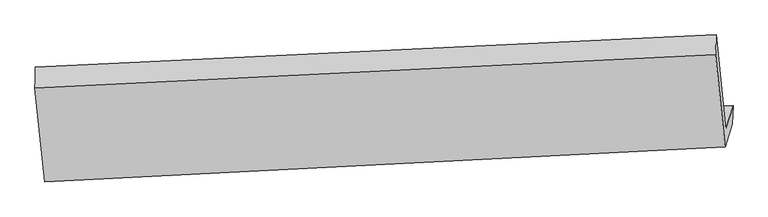
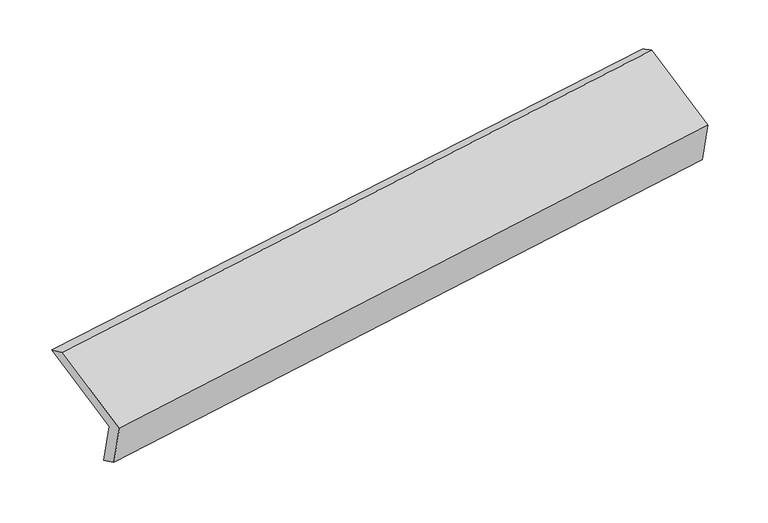
"""IFC4 building model written with IfcOpenShell, lengths in millimetres: proxy geometry."""

import ifcopenshell
import ifcopenshell.guid

model = None  # the IFC model being written
_history = None  # IfcOwnerHistory: only IFC2X3 demands one
_inside = {}  # id of a spatial element -> (the spatial element, [elements in it])
_under = {}  # id of a project, library or spatial element -> (it, [spatial elements below it])
_declared = {}  # id of a project -> (the project, [libraries it declares])
_typed = {}  # id of a type object -> (the type object, [elements of that type])
_made_of = {}  # id of a material, layer set ... -> (it, [elements and type objects made of it])


def new_model(schema):
    """Start an empty IFC model of exactly this schema.

    Asked for "IFC4X3", IfcOpenShell would pick the latest addendum, in which some entities
    have other attributes; the version numbers below select the first issue.
    IFC2X3 requires an IfcOwnerHistory on every rooted entity: one is made here for all.
    """
    global model, _history
    if schema == "IFC4X3":
        model = ifcopenshell.file(schema_version=(4, 3, 0, 0))
    else:
        model = ifcopenshell.file(schema=schema)
    _inside.clear()
    _under.clear()
    _declared.clear()
    _typed.clear()
    _made_of.clear()
    _history = None
    if model.schema == "IFC2X3":
        org = make("IfcOrganization", Name="unknown")
        user = make(
            "IfcPersonAndOrganization",
            ThePerson=make("IfcPerson", FamilyName="unknown"),
            TheOrganization=org,
        )
        app = make(
            "IfcApplication",
            ApplicationDeveloper=org,
            Version="unknown",
            ApplicationFullName="unknown",
            ApplicationIdentifier="unknown",
        )
        _history = make(
            "IfcOwnerHistory",
            OwningUser=user,
            OwningApplication=app,
            ChangeAction="ADDED",
            CreationDate=0,
        )
    return model


def make(cls, **values):
    """One entity of the class cls with the attributes given. An attribute that is None is left unset."""
    return model.create_entity(
        cls, **{name: value for name, value in values.items() if value is not None}
    )


def rooted(cls, **values):
    """An entity with a GlobalId (a new one), such as an element, a storey or a relation."""
    return make(cls, GlobalId=ifcopenshell.guid.new(), OwnerHistory=_history, **values)


def si_unit(unit_type, name, prefix=None):
    """IfcSIUnit, for example si_unit("LENGTHUNIT", "METRE", prefix="MILLI")."""
    return make("IfcSIUnit", UnitType=unit_type, Prefix=prefix, Name=name)


def assignment(units):
    """IfcUnitAssignment: the units of a project."""
    return None if units is None else make("IfcUnitAssignment", Units=units)


def point(xyz):
    """IfcCartesianPoint."""
    return None if xyz is None else make("IfcCartesianPoint", Coordinates=xyz)


def direction(xyz):
    """IfcDirection."""
    return None if xyz is None else make("IfcDirection", DirectionRatios=xyz)


def frame(location, z_axis=None, x_axis=None):
    """IfcAxis2Placement3D, a coordinate frame: its origin and axes. An axis left out is left unset."""
    return make(
        "IfcAxis2Placement3D",
        Location=point(location),
        Axis=direction(z_axis),
        RefDirection=direction(x_axis),
    )


def origin():
    """The frame at (0, 0, 0) with its axes left unset."""
    return frame((0.0, 0.0, 0.0))


def place(relative_to, where):
    """IfcLocalPlacement: puts the frame where relative to a parent placement (None: the world)."""
    return make(
        "IfcLocalPlacement", PlacementRelTo=relative_to, RelativePlacement=where
    )


def context(
    kind, dimensions, precision=None, world=None, true_north=None, identifier=None
):
    """IfcGeometricRepresentationContext, for example the 3D "Model" context."""
    return make(
        "IfcGeometricRepresentationContext",
        ContextIdentifier=identifier,
        ContextType=kind,
        CoordinateSpaceDimension=dimensions,
        Precision=precision,
        WorldCoordinateSystem=world,
        TrueNorth=true_north,
    )


def project(units=None, contexts=None):
    """IfcProject with its units and contexts."""
    return rooted(
        "IfcProject",
        Name="project",
        RepresentationContexts=contexts,
        UnitsInContext=assignment(units),
    )


def spatial(cls, under=None, at=None, **own):
    """A site, building, storey or space (cls), placed at a placement, below another one or the project."""
    s = rooted(cls, ObjectPlacement=at, **own)
    if under is not None:
        _under.setdefault(under.id(), (under, []))[1].append(s)
    return s


def shape(context_of_items, identifier, shape_type, items):
    """IfcShapeRepresentation: the items that make up one representation, for example the "Body"."""
    return make(
        "IfcShapeRepresentation",
        ContextOfItems=context_of_items,
        RepresentationIdentifier=identifier,
        RepresentationType=shape_type,
        Items=items,
    )


def source(mapping_origin, context_of_items, identifier, shape_type, items):
    """IfcRepresentationMap: a shape defined once, which mapped items show again and again."""
    return make(
        "IfcRepresentationMap",
        MappingOrigin=mapping_origin,
        MappedRepresentation=shape(context_of_items, identifier, shape_type, items),
    )


def transform(
    local_origin,
    x_axis=None,
    y_axis=None,
    z_axis=None,
    scale=None,
    scale2=None,
    scale3=None,
    uniform=True,
):
    """IfcCartesianTransformationOperator3D, or its non-uniform kind. x_axis, y_axis, z_axis: its Axis1, 2, 3."""
    if uniform:
        return make(
            "IfcCartesianTransformationOperator3D",
            Axis1=direction(x_axis),
            Axis2=direction(y_axis),
            LocalOrigin=point(local_origin),
            Scale=scale,
            Axis3=direction(z_axis),
        )
    return make(
        "IfcCartesianTransformationOperator3DnonUniform",
        Axis1=direction(x_axis),
        Axis2=direction(y_axis),
        LocalOrigin=point(local_origin),
        Scale=scale,
        Axis3=direction(z_axis),
        Scale2=scale2,
        Scale3=scale3,
    )


def mapped(mapping_source, mapping_target):
    """IfcMappedItem: shows the shape of a source again, moved by a transform."""
    return make(
        "IfcMappedItem", MappingSource=mapping_source, MappingTarget=mapping_target
    )


def made_of(thing, what):
    """Note that an element or type object is made of a material, layer set ...; save() writes the relation."""
    if what is not None:
        _made_of.setdefault(what.id(), (what, []))[1].append(thing)
    return thing


def element(
    cls,
    number,
    at=None,
    inside=None,
    cuts=None,
    type_object=None,
    material=None,
    context=None,
    identifier="Body",
    shape_type=None,
    held_by="IfcProductDefinitionShape",
    body=None,
    shapes=None,
    **own,
):
    """One element of the class cls, such as IfcWall. Its Tag is "e" and its number.

    at: its placement. inside: the storey or other place that contains it. cuts: it is an
    opening in that element (IfcRelVoidsElement). A single representation is given by context,
    identifier, shape_type and body (its items); several are given by shapes. held_by: the class
    of the entity that holds the representations. save() writes the other relations.
    """
    e = rooted(cls, Tag="e%d" % number, ObjectPlacement=at, **own)
    if body is not None:
        shapes = [shape(context, identifier, shape_type, body)]
    if shapes is not None:
        e.Representation = make(held_by, Representations=shapes)
    if inside is not None:
        _inside.setdefault(inside.id(), (inside, []))[1].append(e)
    if cuts is not None:
        rooted(
            "IfcRelVoidsElement", RelatingBuildingElement=cuts, RelatedOpeningElement=e
        )
    if type_object is not None:
        _typed.setdefault(type_object.id(), (type_object, []))[1].append(e)
    return made_of(e, material)


def aggregate(whole, parts):
    """IfcRelAggregates: a whole, such as a stair, and the parts it consists of."""
    return rooted("IfcRelAggregates", RelatingObject=whole, RelatedObjects=parts)


def save(model, path):
    """Write the relations noted so far, then the file.

    IfcRelAggregates (storeys below a building ...), IfcRelContainedInSpatialStructure (elements
    in a storey), IfcRelDefinesByType, IfcRelAssociatesMaterial and IfcRelDeclares: one each for
    every whole, place, type object, material and project.
    """
    for whole, parts in _under.values():
        aggregate(whole, parts)
    for where, things in _inside.values():
        rooted(
            "IfcRelContainedInSpatialStructure",
            RelatedElements=things,
            RelatingStructure=where,
        )
    for kind, things in _typed.values():
        rooted("IfcRelDefinesByType", RelatedObjects=things, RelatingType=kind)
    for what, things in _made_of.values():
        rooted("IfcRelAssociatesMaterial", RelatedObjects=things, RelatingMaterial=what)
    for by, libraries in _declared.values():
        rooted("IfcRelDeclares", RelatingContext=by, RelatedDefinitions=libraries)
    model.write(path)


def plane_surface(at):
    """IfcPlane: the flat surface through the origin of the frame at, square to its z axis."""
    return make("IfcPlane", Position=at)


def spline_surface(u_degree, v_degree, points, u_multiplicities, v_multiplicities, u_knots, v_knots, weights=None):
    """IfcBSplineSurfaceWithKnots; with weights, IfcRationalBSplineSurfaceWithKnots. points: one row for each step in u."""
    own = dict(
        UDegree=u_degree,
        VDegree=v_degree,
        ControlPointsList=[[point(p) for p in row] for row in points],
        SurfaceForm="UNSPECIFIED",
        UClosed=False,
        VClosed=False,
        SelfIntersect=False,
        UMultiplicities=u_multiplicities,
        VMultiplicities=v_multiplicities,
        UKnots=u_knots,
        VKnots=v_knots,
        KnotSpec="UNSPECIFIED",
    )
    if weights is None:
        return make("IfcBSplineSurfaceWithKnots", **own)
    return make("IfcRationalBSplineSurfaceWithKnots", WeightsData=weights, **own)


def advanced_brep(points, edges, surfaces, faces):
    """IfcAdvancedBrep: a solid bounded by faces that lie on surfaces and meet in shared edges.

    An edge is (start, end): straight between two places in points (the first is 0);
    or (start, end, curve); or (start, end, curve, False) where it runs against its curve.
    A face is (place in surfaces, loops), or (place, loops, False) where it looks against
    its surface's normal. A loop lists edges by number (the first is 1), with a minus sign
    where the edge is run from its end to its start. The first loop is the outer one.
    """
    corners = [point(p) for p in points]
    vertices = [make("IfcVertexPoint", VertexGeometry=c) for c in corners]
    made = []
    for start, end, *more in edges:
        made.append(
            make(
                "IfcEdgeCurve",
                EdgeStart=vertices[start],
                EdgeEnd=vertices[end],
                EdgeGeometry=more[0] if more else make("IfcPolyline", Points=[corners[start], corners[end]]),
                SameSense=more[1] if len(more) > 1 else True,
            )
        )
    hull = []
    for where, loops, *sense in faces:
        bounds = []
        for j, loop in enumerate(loops):
            ring = [make("IfcOrientedEdge", EdgeElement=made[abs(k) - 1], Orientation=k > 0) for k in loop]
            bounds.append(
                make(
                    "IfcFaceOuterBound" if j == 0 else "IfcFaceBound",
                    Bound=make("IfcEdgeLoop", EdgeList=ring),
                    Orientation=True,
                )
            )
        hull.append(make("IfcAdvancedFace", Bounds=bounds, FaceSurface=surfaces[where], SameSense=sense[0] if sense else True))
    return make("IfcAdvancedBrep", Outer=make("IfcClosedShell", CfsFaces=hull))


def generic_models_bfe87ab4(model_context):
    return source(origin(), model_context, "Body", "AdvancedBrep", [
        advanced_brep(
        [(-5032.7093386, -1652.2830925, 1241.359057), (-5078.5984792, -1801.3457451, 1609.7342339), (-628.126637, -1591.6774797, 2259.8387286), (-581.0903602, -1438.8885607, 1882.2549135), (-5036.4272239, -1790.085267, 1311.4762652), (-586.6979825, -1558.1532695, 1959.6378811), (-5082.1821134, -1938.7118288, 1678.7737406), (-633.6000082, -1710.5060977, 2336.1439947), (-5144.9268479, -1323.2143341, 1920.0179744), (-695.3998742, -1104.2773359, 2573.7553488), (-5141.4720696, -1184.5842323, 1851.4738996), (-691.0002274, -974.9159669, 2501.5783943)],
        [
            (0, 1),
            (1, 2),
            (2, 3),
            (3, 0),
            (4, 0),
            (3, 5),
            (5, 4),
            (6, 4),
            (5, 7),
            (7, 6),
            (8, 6),
            (7, 9),
            (9, 8),
            (10, 8),
            (9, 11),
            (11, 10),
            (1, 10),
            (11, 2),
        ],
        [
            plane_surface(frame((-5055.6539089, -1726.8144188, 1425.5466454), z_axis=(-0.09668290144715694, 0.9267703111741425, 0.36297273574463207), x_axis=(-0.11471361811921839, -0.37262663807129864, 0.9208638196919671))),
            spline_surface(1, 1, [[(-5036.4272239, -1790.085267, 1311.4762652), (-586.6979825, -1558.1532695, 1959.6378811)], [(-5032.7093386, -1652.2830925, 1241.359057), (-581.0903602, -1438.8885607, 1882.2549135)]], [2, 2], [2, 2], [0.0, 1.0], [0.0, 1.0]),
            plane_surface(frame((-5059.3046687, -1864.3985479, 1495.1250029), z_axis=(0.1010734803405373, -0.9265506545103935, -0.3623369097928232), x_axis=(0.11471361811919609, 0.37262663807129587, -0.920863819691971))),
            plane_surface(frame((-5113.5544807, -1630.9630815, 1799.3958575), z_axis=(-0.11690962175070964, -0.3727264068321515, 0.9205472100832741), x_axis=(0.09448684793010823, -0.9268732849094489, -0.3632879701963723))),
            spline_surface(1, 1, [[(-5141.4720696, -1184.5842323, 1851.4738996), (-691.0002274, -974.9159669, 2501.5783943)], [(-5144.9268479, -1323.2143341, 1920.0179744), (-695.3998742, -1104.2773359, 2573.7553488)]], [2, 2], [2, 2], [0.0, 1.0], [0.0, 1.0]),
            plane_surface(frame((-5110.0352744, -1492.9649887, 1730.6040667), z_axis=(0.11690962175071132, 0.3727264068321468, -0.9205472100832759), x_axis=(-0.09448684793010856, 0.9268732849094508, 0.3632879701963674))),
            plane_surface(frame((-635.9858483, -1396.4031184, 2252.2015435), z_axis=(0.9888948484981788, 0.045335442215169316, 0.14153330453613736), x_axis=(0.09448684793010823, -0.9268732849094489, -0.3632879701963723))),
            plane_surface(frame((-5086.0526788, -1615.0374166, 1602.1391951), z_axis=(-0.9888948484981849, -0.04533544221507712, -0.14153330453612611), x_axis=(0.11471361811921897, 0.3726266380712986, -0.9208638196919671))),
        ],
        [
            (0, [[1, 2, 3, 4]]),
            (1, [[5, -4, 6, 7]]),
            (2, [[8, -7, 9, 10]]),
            (3, [[11, -10, 12, 13]]),
            (4, [[14, -13, 15, 16]]),
            (5, [[17, -16, 18, -2]]),
            (6, [[-12, -9, -6, -3, -18, -15]]),
            (7, [[-1, -5, -8, -11, -14, -17]]),
        ],
    ),
    ])


if __name__ == "__main__":
    model = new_model("IFC4")
    model_context = context("Model", 3, world=origin())
    ifc_project = project(units=[si_unit("LENGTHUNIT", "METRE", prefix="MILLI")], contexts=[model_context])
    site = spatial("IfcSite", under=ifc_project)
    building = spatial("IfcBuilding", under=site)
    placement = place(None, origin())
    generic_models_shape = generic_models_bfe87ab4(model_context)
    element("IfcBuildingElementProxy", 1, Name="Generic Models", at=placement, inside=building, context=model_context, shape_type="MappedRepresentation", body=[
        mapped(generic_models_shape, transform((0.0, 0.0, 0.0), x_axis=(1.0, 0.0, 0.0), y_axis=(0.0, 1.0, 0.0), z_axis=(0.0, 0.0, 1.0))),
    ])
    save(model, "model.ifc")
